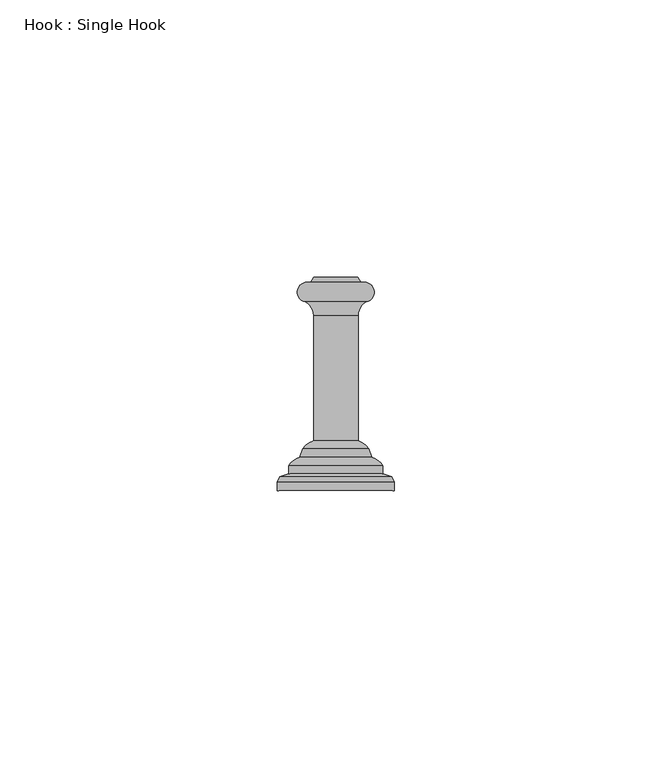
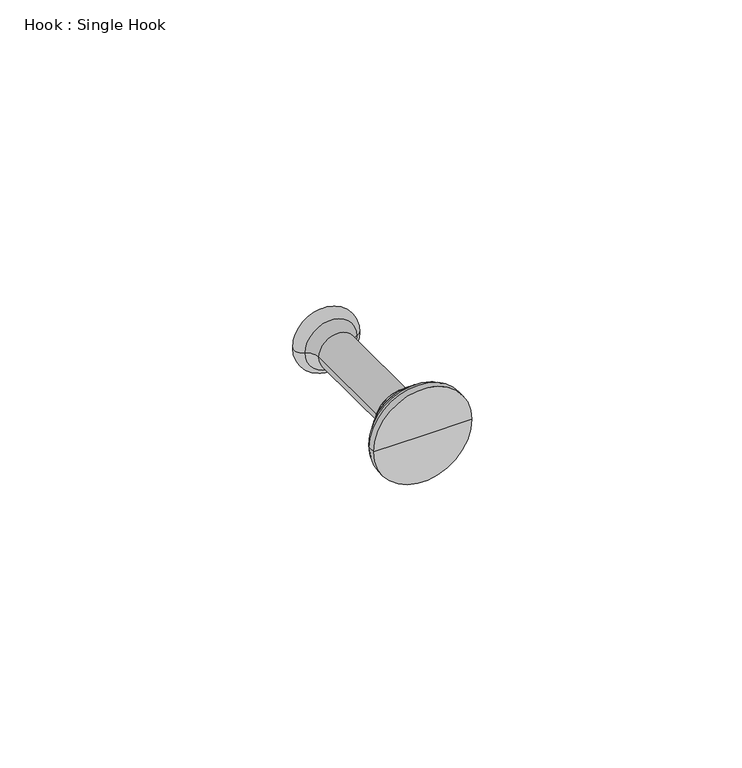
"""IFC4 building model written with IfcOpenShell, lengths in millimetres: proxy geometry, Hook : Single Hook."""

from ifc_helpers import new_model, si_unit, point, frame, origin, place, context, project, spatial, polyline, circle_curve, ellipse_curve, trimmed, source, transform, mapped, element, save
from ifc_brep_helpers import plane_surface, cylinder_surface, revolved_surface, advanced_brep


def hook_single_hook_f4d022b1(model_context):
    return source(origin(), model_context, "Body", "AdvancedBrep", [
        advanced_brep(
        [(120.4999999, 134.3374993, 0.0), (129.5000001, 134.3374993, 0.0), (130.5000004, 134.3374993, 0.0), (119.4999996, 134.3374993, 0.0), (121.0086329, 135.2184776, 0.0), (128.9913671, 135.2184776, 0.0), (125.0, 135.2184776, 0.0), (114.5000005, 96.8375, 0.0), (135.4999995, 96.8375, 0.0), (125.0, 96.8375, 0.0), (114.5000005, 98.3561938, 0.0), (135.4999995, 98.3561938, 0.0), (114.8940547, 99.2845273, 0.0), (135.1059453, 99.2845273, 0.0), (116.4999999, 99.8374986, 0.0), (133.5000001, 99.8374986, 0.0), (116.4999999, 101.3034491, 0.0), (133.5000001, 101.3034491, 0.0), (118.489313, 102.8576708, 0.0), (131.510687, 102.8576708, 0.0), (119.0341392, 104.3545686, 0.0), (130.9658608, 104.3545686, 0.0), (120.9909169, 105.8291064, 0.0), (129.0090831, 105.8291064, 0.0), (120.9909169, 128.3266117, 0.0), (129.0090831, 128.3266117, 0.0), (119.4999996, 130.8374993, 0.0), (130.5000004, 130.8374993, 0.0)],
        [
            (0, 1, circle_curve(frame((125.0, 134.3374993, 0.0), z_axis=(0.0, -1.0, 0.0), x_axis=(1.0, 0.0, 0.0)), 4.5000001)),
            (1, 2),
            (2, 3, circle_curve(frame((125.0, 134.3374993, 0.0), z_axis=(0.0, 1.0, 0.0), x_axis=(1.0, 0.0, 0.0)), 5.5000004)),
            (3, 0),
            (1, 0, circle_curve(frame((125.0, 134.3374993, 0.0), z_axis=(0.0, -1.0, 0.0), x_axis=(1.0, 0.0, 0.0)), 4.5000001)),
            (3, 2, circle_curve(frame((125.0, 134.3374993, 0.0), z_axis=(0.0, 1.0, 0.0), x_axis=(1.0, 0.0, 0.0)), 5.5000004)),
            (4, 5, circle_curve(frame((125.0, 135.2184776, 0.0), z_axis=(0.0, -1.0, 0.0), x_axis=(1.0, 0.0, 0.0)), 3.9913671)),
            (5, 1),
            (0, 4),
            (5, 4, circle_curve(frame((125.0, 135.2184776, 0.0), z_axis=(0.0, -1.0, 0.0), x_axis=(1.0, 0.0, 0.0)), 3.9913671)),
            (6, 5),
            (4, 6),
            (7, 8, circle_curve(frame((125.0, 96.8375, 0.0), z_axis=(0.0, -1.0, 0.0), x_axis=(1.0, 0.0, 0.0)), 10.4999995)),
            (8, 9),
            (9, 7),
            (8, 7, circle_curve(frame((125.0, 96.8375, 0.0), z_axis=(0.0, -1.0, 0.0), x_axis=(1.0, 0.0, 0.0)), 10.4999995)),
            (10, 11, circle_curve(frame((125.0, 98.3561938, 0.0), z_axis=(0.0, -1.0, 0.0), x_axis=(1.0, 0.0, 0.0)), 10.4999995)),
            (11, 8),
            (7, 10),
            (11, 10, circle_curve(frame((125.0, 98.3561938, 0.0), z_axis=(0.0, -1.0, 0.0), x_axis=(1.0, 0.0, 0.0)), 10.4999995)),
            (12, 13, circle_curve(frame((125.0, 99.2845273, 0.0), z_axis=(0.0, -1.0, 0.0), x_axis=(1.0, 0.0, 0.0)), 10.1059453)),
            (13, 11),
            (10, 12),
            (13, 12, circle_curve(frame((125.0, 99.2845273, 0.0), z_axis=(0.0, -1.0, 0.0), x_axis=(1.0, 0.0, 0.0)), 10.1059453)),
            (14, 15, circle_curve(frame((125.0, 99.8374986, 0.0), z_axis=(0.0, -1.0, 0.0), x_axis=(1.0, 0.0, 0.0)), 8.5000001)),
            (15, 13),
            (12, 14),
            (15, 14, circle_curve(frame((125.0, 99.8374986, 0.0), z_axis=(0.0, -1.0, 0.0), x_axis=(1.0, 0.0, 0.0)), 8.5000001)),
            (16, 17, circle_curve(frame((125.0, 101.3034491, 0.0), z_axis=(0.0, -1.0, 0.0), x_axis=(1.0, 0.0, 0.0)), 8.5000001)),
            (17, 15),
            (14, 16),
            (17, 16, circle_curve(frame((125.0, 101.3034491, 0.0), z_axis=(0.0, -1.0, 0.0), x_axis=(1.0, 0.0, 0.0)), 8.5000001)),
            (18, 19, circle_curve(frame((125.0, 102.8576708, 0.0), z_axis=(0.0, -1.0, 0.0), x_axis=(1.0, 0.0, 0.0)), 6.510687)),
            (19, 17, circle_curve(frame((130.1450927, 99.0595765, 0.0), z_axis=(0.0, 0.0, -1.0), x_axis=(1.0, 0.0, 0.0)), 4.0361328)),
            (16, 18, circle_curve(frame((119.8549073, 99.0595765, 0.0), z_axis=(0.0, 0.0, -1.0), x_axis=(-1.0, 0.0, 0.0)), 4.0361328)),
            (19, 18, circle_curve(frame((125.0, 102.8576708, 0.0), z_axis=(0.0, -1.0, 0.0), x_axis=(1.0, 0.0, 0.0)), 6.510687)),
            (20, 21, circle_curve(frame((125.0, 104.3545686, 0.0), z_axis=(0.0, -1.0, 0.0), x_axis=(1.0, 0.0, 0.0)), 5.9658608)),
            (21, 19),
            (18, 20),
            (21, 20, circle_curve(frame((125.0, 104.3545686, 0.0), z_axis=(0.0, -1.0, 0.0), x_axis=(1.0, 0.0, 0.0)), 5.9658608)),
            (22, 23, circle_curve(frame((125.0, 105.8291064, 0.0), z_axis=(0.0, -1.0, 0.0), x_axis=(1.0, 0.0, 0.0)), 4.0090831)),
            (23, 21, circle_curve(frame((127.5885586, 101.9083721, 0.0), z_axis=(0.0, 0.0, -1.0), x_axis=(1.0, 0.0, 0.0)), 4.1701376)),
            (20, 22, circle_curve(frame((122.4114414, 101.9083721, 0.0), z_axis=(0.0, 0.0, -1.0), x_axis=(-1.0, 0.0, 0.0)), 4.1701376)),
            (23, 22, circle_curve(frame((125.0, 105.8291064, 0.0), z_axis=(0.0, -1.0, 0.0), x_axis=(1.0, 0.0, 0.0)), 4.0090831)),
            (24, 25, circle_curve(frame((125.0, 128.3266117, 0.0), z_axis=(0.0, -1.0, 0.0), x_axis=(1.0, 0.0, 0.0)), 4.0090831)),
            (25, 23),
            (22, 24),
            (25, 24, circle_curve(frame((125.0, 128.3266117, 0.0), z_axis=(0.0, -1.0, 0.0), x_axis=(1.0, 0.0, 0.0)), 4.0090831)),
            (26, 27, circle_curve(frame((125.0, 130.8374993, 0.0), z_axis=(0.0, -1.0, 0.0), x_axis=(1.0, 0.0, 0.0)), 5.5000004)),
            (27, 25, circle_curve(frame((131.8688631, 128.3266117, 0.0), z_axis=(0.0, 0.0, 1.0), x_axis=(1.0, 0.0, 0.0)), 2.85978)),
            (24, 26, circle_curve(frame((118.1311369, 128.3266117, 0.0), z_axis=(0.0, 0.0, 1.0), x_axis=(-1.0, 0.0, 0.0)), 2.85978)),
            (27, 26, circle_curve(frame((125.0, 130.8374993, 0.0), z_axis=(0.0, -1.0, 0.0), x_axis=(1.0, 0.0, 0.0)), 5.5000004)),
            (2, 27, circle_curve(frame((130.125001, 132.5874993, 0.0), z_axis=(0.0, 0.0, -1.0), x_axis=(1.0, 0.0, 0.0)), 1.7897275)),
            (26, 3, circle_curve(frame((119.874999, 132.5874993, 0.0), z_axis=(0.0, 0.0, -1.0), x_axis=(-1.0, 0.0, 0.0)), 1.7897275)),
        ],
        [
            plane_surface(frame((125.0, 134.3374993, 0.0), z_axis=(0.0, 1.0, 0.0), x_axis=(1.0, 0.0, 0.0))),
            revolved_surface(polyline([(129.5000001, 134.3374993, 0.0), (128.9913671, 135.2184776, 0.0)]), (125.0, 152.7855881, 0.0), (0.0, 1.0, 0.0)),
            plane_surface(frame((125.0, 135.2184776, 0.0), z_axis=(0.0, 1.0, 0.0), x_axis=(1.0, 0.0, 0.0))),
            plane_surface(frame((125.0, 96.8375, 0.0), z_axis=(0.0, -1.0, 0.0), x_axis=(1.0, 0.0, 0.0))),
            cylinder_surface(frame((125.0, 152.7855881, 0.0), z_axis=(0.0, 1.0, 0.0), x_axis=(1.0, 0.0, 0.0)), 10.4999995),
            revolved_surface(polyline([(135.4999995, 98.3561938, 0.0), (135.1059453, 99.2845273, 0.0)]), (125.0, 152.7855881, 0.0), (0.0, 1.0, 0.0)),
            revolved_surface(polyline([(135.1059453, 99.2845273, 0.0), (133.5000001, 99.8374986, 0.0)]), (125.0, 152.7855881, 0.0), (0.0, 1.0, 0.0)),
            cylinder_surface(frame((125.0, 152.7855881, 0.0), z_axis=(0.0, 1.0, 0.0), x_axis=(1.0, 0.0, 0.0)), 8.5000001),
            revolved_surface(trimmed(ellipse_curve(frame((130.1450927, 99.0595765, 0.0), z_axis=(0.0, 0.0, 1.0), x_axis=(1.0, 0.0, 0.0)), 4.0361328, 4.0361328), [point((133.5000001, 101.3034491, 0.0))], [point((131.510687, 102.8576708, 0.0))], True, "CARTESIAN"), (125.0, 152.7855881, 0.0), (0.0, 1.0, 0.0)),
            revolved_surface(polyline([(131.510687, 102.8576708, 0.0), (130.9658608, 104.3545686, 0.0)]), (125.0, 152.7855881, 0.0), (0.0, 1.0, 0.0)),
            revolved_surface(trimmed(ellipse_curve(frame((127.5885586, 101.9083721, 0.0), z_axis=(0.0, 0.0, 1.0), x_axis=(1.0, 0.0, 0.0)), 4.1701376, 4.1701376), [point((130.9658608, 104.3545686, 0.0))], [point((129.0090831, 105.8291064, 0.0))], True, "CARTESIAN"), (125.0, 152.7855881, 0.0), (0.0, 1.0, 0.0)),
            cylinder_surface(frame((125.0, 152.7855881, 0.0), z_axis=(0.0, 1.0, 0.0), x_axis=(1.0, 0.0, 0.0)), 4.0090831),
            revolved_surface(trimmed(ellipse_curve(frame((131.8688631, 128.3266117, 0.0), z_axis=(0.0, 0.0, -1.0), x_axis=(1.0, 0.0, 0.0)), 2.85978, 2.85978), [point((129.0090831, 128.3266117, 0.0))], [point((130.5000004, 130.8374993, 0.0))], True, "CARTESIAN"), (125.0, 152.7855881, 0.0), (0.0, 1.0, 0.0)),
            revolved_surface(trimmed(ellipse_curve(frame((130.125001, 132.5874993, 0.0), z_axis=(0.0, 0.0, 1.0), x_axis=(1.0, 0.0, 0.0)), 1.7897275, 1.7897275), [point((130.5000004, 130.8374993, 0.0))], [point((130.5000004, 134.3374993, 0.0))], True, "CARTESIAN"), (125.0, 152.7855881, 0.0), (0.0, 1.0, 0.0)),
        ],
        [
            (0, [[1, 2, 3, 4]]),
            (0, [[5, -4, 6, -2]]),
            (1, [[7, 8, -1, 9]]),
            (1, [[10, -9, -5, -8]]),
            (2, [[11, -7, 12]]),
            (2, [[-12, -10, -11]]),
            (3, [[13, 14, 15]]),
            (3, [[16, -15, -14]]),
            (4, [[17, 18, -13, 19]]),
            (4, [[20, -19, -16, -18]]),
            (5, [[21, 22, -17, 23]]),
            (5, [[24, -23, -20, -22]]),
            (6, [[25, 26, -21, 27]]),
            (6, [[28, -27, -24, -26]]),
            (7, [[29, 30, -25, 31]]),
            (7, [[32, -31, -28, -30]]),
            (8, [[33, 34, -29, 35]]),
            (8, [[36, -35, -32, -34]]),
            (9, [[37, 38, -33, 39]]),
            (9, [[40, -39, -36, -38]]),
            (10, [[41, 42, -37, 43]]),
            (10, [[44, -43, -40, -42]]),
            (11, [[45, 46, -41, 47]]),
            (11, [[48, -47, -44, -46]]),
            (12, [[49, 50, -45, 51]]),
            (12, [[52, -51, -48, -50]]),
            (13, [[-3, 53, -49, 54]]),
            (13, [[-6, -54, -52, -53]]),
        ],
    ),
    ])


if __name__ == "__main__":
    model = new_model("IFC4")
    model_context = context("Model", 3, world=origin())
    ifc_project = project(units=[si_unit("LENGTHUNIT", "METRE", prefix="MILLI")], contexts=[model_context])
    site = spatial("IfcSite", under=ifc_project)
    building = spatial("IfcBuilding", under=site)
    placement = place(None, origin())
    hook_single_hook_shape = hook_single_hook_f4d022b1(model_context)
    element("IfcBuildingElementProxy", 1, Name="Hook : Single Hook", ObjectType="Hook : Single Hook", at=placement, inside=building, context=model_context, shape_type="MappedRepresentation", body=[
        mapped(hook_single_hook_shape, transform((0.0, 0.0, 0.0), x_axis=(1.0, 0.0, 0.0), y_axis=(0.0, 1.0, 0.0), z_axis=(0.0, 0.0, 1.0))),
    ])
    save(model, "model.ifc")
